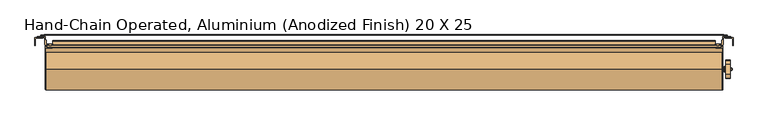
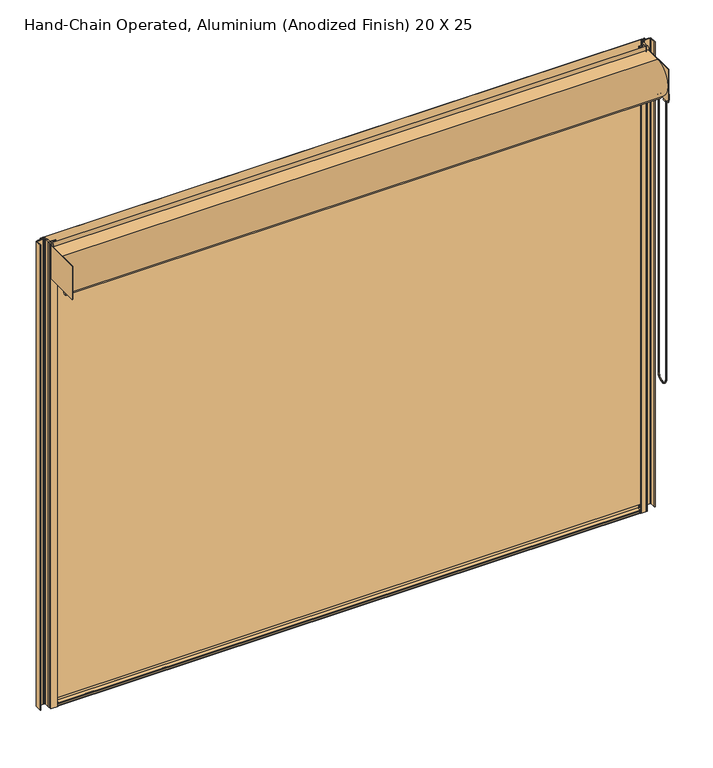
"""IFC4 building model written with IfcOpenShell, lengths in millimetres: door geometry, Hand-Chain Operated, Aluminium (Anodized Finish) 20 X 25."""

from ifc_helpers import new_model, si_unit, point, frame, frame_2d, origin, origin_with_axes, place, context, project, spatial, polyline, circle_curve, ellipse_curve, trimmed, segment, composite_curve, outline, extrude, source, transform, mapped, element, save
from ifc_brep_helpers import plane_surface, cylinder_surface, revolved_surface, advanced_brep


def hand_chain_operated_aluminium_anodized_finish_20_x_25_5186714d(model_context):
    return source(origin(), model_context, "Body", "SolidModel", [
        extrude(outline(composite_curve([segment(polyline([(-2829.4330007, 91.7956003), (-2829.4330007, 76.2), (-2832.1000004, 76.2), (-2832.1000004, 91.7956003)]), True, "CONTINUOUS"), segment(trimmed(circle_curve(frame_2d((-2828.6456007, 91.7956003)), 3.4543997), [point((-2832.1000004, 91.7956003))], [point((-2828.6456007, 95.25))], False, "CARTESIAN"), True, "CONTINUOUS"), segment(polyline([(-2828.6456007, 95.25), (-2797.4544007, 95.25)]), True, "CONTINUOUS"), segment(trimmed(circle_curve(frame_2d((-2797.4544007, 91.7956003)), 3.4543997), [point((-2797.4544007, 95.25))], [point((-2794.0000011, 91.7956003))], False, "CARTESIAN"), True, "CONTINUOUS"), segment(polyline([(-2794.0000011, 91.7956003), (-2794.0000011, 76.2), (-2796.6670007, 76.2), (-2796.6670007, 91.7956003)]), True, "CONTINUOUS"), segment(trimmed(circle_curve(frame_2d((-2797.4544007, 91.7956003)), 0.7874), [point((-2796.6670007, 91.7956003))], [point((-2797.4544007, 92.5830003))], True, "CARTESIAN"), True, "CONTINUOUS"), segment(polyline([(-2797.4544007, 92.5830003), (-2828.6456007, 92.5830003)]), True, "CONTINUOUS"), segment(trimmed(circle_curve(frame_2d((-2828.6456007, 91.7956003)), 0.7874), [point((-2828.6456007, 92.5830003))], [point((-2829.4330007, 91.7956003))], True, "CARTESIAN"), True, "CONTINUOUS")], self_intersect=False)), origin_with_axes(), (0.0, 0.0, 1.0), 6096.0),
        extrude(outline(composite_curve([segment(trimmed(circle_curve(frame_2d((-2879.725, 53.975)), 9.525), [point((-2879.725, 63.5))], [point((-2889.25, 53.975))], True, "CARTESIAN"), True, "CONTINUOUS"), segment(polyline([(-2889.25, 53.975), (-2889.25, -12.7)]), True, "CONTINUOUS"), segment(trimmed(circle_curve(frame_2d((-2895.6, -12.7)), 6.35), [point((-2889.25, -12.7))], [point((-2895.6, -19.05))], False, "CARTESIAN"), True, "CONTINUOUS"), segment(polyline([(-2895.6, -19.05), (-2895.6, 69.85), (-2806.7, 69.85)]), True, "CONTINUOUS"), segment(trimmed(circle_curve(frame_2d((-2813.05, 69.85)), 6.35), [point((-2806.7, 69.85))], [point((-2813.05, 63.5))], False, "CARTESIAN"), True, "CONTINUOUS"), segment(polyline([(-2813.05, 63.5), (-2879.725, 63.5)]), True, "CONTINUOUS")], self_intersect=False)), origin_with_axes(), (0.0, 0.0, 1.0), 6096.0),
        extrude(outline(composite_curve([segment(polyline([(-2781.3, 76.2), (-2781.3, 41.275)]), True, "CONTINUOUS"), segment(trimmed(circle_curve(frame_2d((-2781.3, 34.925)), 6.35), [point((-2781.3, 41.275))], [point((-2774.95, 34.925))], False, "CARTESIAN"), True, "CONTINUOUS"), segment(polyline([(-2774.95, 34.925), (-2774.95, 41.275)]), True, "CONTINUOUS"), segment(trimmed(circle_curve(frame_2d((-2774.95, 36.5125)), 4.7625), [point((-2774.95, 41.275))], [point((-2770.1875, 36.5125))], False, "CARTESIAN"), True, "CONTINUOUS"), segment(polyline([(-2770.1875, 36.5125), (-2770.1875, 3.175)]), True, "CONTINUOUS"), segment(trimmed(circle_curve(frame_2d((-2762.25, 3.175)), 7.9375), [point((-2770.1875, 3.175))], [point((-2762.25, -4.7625))], True, "CARTESIAN"), True, "CONTINUOUS"), segment(polyline([(-2762.25, -4.7625), (-2703.5125, -4.7625)]), True, "CONTINUOUS"), segment(trimmed(circle_curve(frame_2d((-2703.5125, -9.525)), 4.7625), [point((-2703.5125, -4.7625))], [point((-2698.75, -9.525))], False, "CARTESIAN"), True, "CONTINUOUS"), segment(polyline([(-2698.75, -9.525), (-2717.8, -9.525), (-2717.8, -19.05), (-2736.85, -19.05), (-2736.85, -9.525), (-2774.95, -9.525), (-2774.95, -31.75)]), True, "CONTINUOUS"), segment(trimmed(circle_curve(frame_2d((-2765.425, -31.75)), 9.525), [point((-2774.95, -31.75))], [point((-2765.425, -41.275))], True, "CARTESIAN"), True, "CONTINUOUS"), segment(polyline([(-2765.425, -41.275), (-2711.45, -41.275)]), True, "CONTINUOUS"), segment(trimmed(circle_curve(frame_2d((-2711.45, -47.625)), 6.35), [point((-2711.45, -41.275))], [point((-2705.1, -47.625))], False, "CARTESIAN"), True, "CONTINUOUS"), segment(polyline([(-2705.1, -47.625), (-2781.3, -47.625), (-2781.3, -12.7)]), True, "CONTINUOUS"), segment(trimmed(circle_curve(frame_2d((-2781.3, -6.35)), 6.35), [point((-2781.3, -12.7))], [point((-2787.65, -6.35))], False, "CARTESIAN"), True, "CONTINUOUS"), segment(polyline([(-2787.65, -6.35), (-2787.65, 60.325)]), True, "CONTINUOUS"), segment(trimmed(circle_curve(frame_2d((-2797.175, 60.325)), 9.525), [point((-2787.65, 60.325))], [point((-2797.175, 69.85))], True, "CARTESIAN"), True, "CONTINUOUS"), segment(polyline([(-2797.175, 69.85), (-2863.85, 69.85)]), True, "CONTINUOUS"), segment(trimmed(circle_curve(frame_2d((-2863.85, 76.2)), 6.35), [point((-2863.85, 69.85))], [point((-2870.2, 76.2))], False, "CARTESIAN"), True, "CONTINUOUS"), segment(polyline([(-2870.2, 76.2), (-2781.3, 76.2)]), True, "CONTINUOUS")], self_intersect=False)), origin_with_axes(), (0.0, 0.0, 1.0), 6096.0),
        extrude(outline(polyline([(-2781.3, -501.65), (-2781.3, -44.45), (-2774.95, -44.45), (-2774.95, -501.65), (-2781.3, -501.65)])), frame((0.0, 0.0, 5638.6082915), z_axis=(0.0, 0.0, 1.0), x_axis=(1.0, 0.0, 0.0)), (0.0, 0.0, 1.0), 431.8),
        advanced_brep(
        [(4694.3184604, -328.921883, 5748.0552302), (4694.3184604, -376.211043, 5624.8627564), (4694.3184604, -376.211043, 5570.0960217), (4694.3184604, -380.2802315, 5560.1152699), (4694.3184604, -378.573243, 5556.0582915), (4694.3184604, -338.898443, 5556.0582915), (4694.3184604, -337.1914546, 5560.1152699), (4694.3184604, -341.260643, 5570.0960217), (4694.3184604, -341.260643, 5575.1082915), (4694.3184604, -328.560643, 5587.8082915), (4694.3184604, -319.4087697, 5587.8082915), (4694.3184604, -239.3383164, 5587.8082915), (4694.3184604, -230.186443, 5587.8082915), (4694.3184604, -217.7215304, 5572.6760185), (4694.3184604, -221.5556315, 5560.1152699), (4694.3184604, -219.848643, 5556.0582915), (4694.3184604, -180.173843, 5556.0582915), (4694.3184604, -178.4668546, 5560.1152699), (4694.3184604, -182.536043, 5570.0960217), (4694.3184604, -182.536043, 5623.097402), (4694.3184604, -183.1686895, 5626.5108567), (4694.3184604, -229.8252031, 5748.0552302), (4694.3184604, -263.498543, 5667.1832915), (4694.3184604, -295.248543, 5667.1832915), (4643.5184604, -328.921883, 5748.0552302), (4643.5184604, -229.8252031, 5748.0552302), (4643.5184604, -183.1686895, 5626.5108567), (4643.5184604, -182.536043, 5623.097402), (4643.5184604, -182.536043, 5570.0960217), (4643.5184604, -178.4668546, 5560.1152699), (4643.5184604, -180.173843, 5556.0582915), (4643.5184604, -219.848643, 5556.0582915), (4643.5184604, -221.5556315, 5560.1152699), (4643.5184604, -217.7215304, 5572.6760185), (4643.5184604, -230.186443, 5587.8082915), (4643.5184604, -239.3383164, 5587.8082915), (4643.5184604, -319.4087697, 5587.8082915), (4643.5184604, -328.560643, 5587.8082915), (4643.5184604, -341.260643, 5575.1082915), (4643.5184604, -341.260643, 5570.0960217), (4643.5184604, -337.1914546, 5560.1152699), (4643.5184604, -338.898443, 5556.0582915), (4643.5184604, -378.573243, 5556.0582915), (4643.5184604, -380.2802315, 5560.1152699), (4643.5184604, -376.211043, 5570.0960217), (4643.5184604, -376.211043, 5624.8627564), (4643.5184604, -279.373543, 5686.8047915), (4643.5184604, -279.373543, 5648.7047915), (4708.6059604, -295.248543, 5667.1832915), (4708.6059604, -263.498543, 5667.1832915), (4708.6059604, -279.373543, 5658.2297915), (4708.6059604, -279.373543, 5677.2797915), (4714.875, -279.373543, 5661.4047915), (4714.875, -279.373543, 5674.1047915), (4711.7, -279.373543, 5677.2797915), (4711.7, -279.373543, 5658.2297915), (4714.875, -279.373543, 5667.7547915), (4610.1, -279.373543, 5642.3547915), (4610.1, -279.373543, 5693.1547915), (4610.1, -279.373543, 5667.7547915), (4616.45, -279.373543, 5642.3547915), (4616.45, -279.373543, 5693.1547915), (4616.45, -279.373543, 5646.3171915), (4616.45, -279.373543, 5689.1923915), (4626.5846, -279.373543, 5646.3171915), (4626.5846, -279.373543, 5689.1923915), (4626.5846, -279.373543, 5642.4754415), (4626.5846, -279.373543, 5693.0341415), (4628.1721, -279.373543, 5636.1254415), (4628.1721, -279.373543, 5699.3841415), (4630.7375, -279.373543, 5636.1254415), (4630.7375, -279.373543, 5699.3841415), (4632.325, -279.373543, 5642.4754415), (4632.325, -279.373543, 5693.0341415), (4632.325, -279.373543, 5648.7047915), (4632.325, -279.373543, 5686.8047915)],
        [
            (0, 1),
            (1, 2),
            (2, 3, circle_curve(frame((4694.3184604, -390.485843, 5570.0960217), z_axis=(-1.0, 0.0, 0.0), x_axis=(0.0, 1.0, 0.0)), 14.2748)),
            (3, 4, circle_curve(frame((4694.3184604, -378.573243, 5558.4458915), z_axis=(1.0, 0.0, 0.0), x_axis=(0.0, 1.0, 0.0)), 2.3876)),
            (4, 5),
            (5, 6, circle_curve(frame((4694.3184604, -338.898443, 5558.4458915), z_axis=(1.0, 0.0, 0.0), x_axis=(0.0, 1.0, 0.0)), 2.3876)),
            (6, 7, circle_curve(frame((4694.3184604, -326.985843, 5570.0960217), z_axis=(-1.0, 0.0, 0.0), x_axis=(0.0, 1.0, 0.0)), 14.2748)),
            (7, 8),
            (8, 9, circle_curve(frame((4694.3184604, -328.560643, 5575.1082915), z_axis=(-1.0, 0.0, 0.0), x_axis=(0.0, 1.0, 0.0)), 12.7)),
            (9, 10),
            (10, 11, circle_curve(frame((4694.3184604, -279.373543, 5667.1832915), z_axis=(1.0, 0.0, 0.0), x_axis=(0.0, 1.0, 0.0)), 88.9)),
            (11, 12),
            (12, 13, circle_curve(frame((4694.3184604, -230.186443, 5575.1082915), z_axis=(-1.0, 0.0, 0.0), x_axis=(0.0, 1.0, 0.0)), 12.7)),
            (13, 14, circle_curve(frame((4694.3184604, -231.761243, 5570.0960217), z_axis=(-1.0, 0.0, 0.0), x_axis=(0.0, 1.0, 0.0)), 14.2748)),
            (14, 15, circle_curve(frame((4694.3184604, -219.848643, 5558.4458915), z_axis=(1.0, 0.0, 0.0), x_axis=(0.0, 1.0, 0.0)), 2.3876)),
            (15, 16),
            (16, 17, circle_curve(frame((4694.3184604, -180.173843, 5558.4458915), z_axis=(1.0, 0.0, 0.0), x_axis=(0.0, 1.0, 0.0)), 2.3876)),
            (17, 18, circle_curve(frame((4694.3184604, -168.261243, 5570.0960217), z_axis=(-1.0, 0.0, 0.0), x_axis=(0.0, 1.0, 0.0)), 14.2748)),
            (18, 19),
            (19, 20, circle_curve(frame((4694.3184604, -192.061043, 5623.097402), z_axis=(1.0, 0.0, 0.0), x_axis=(0.0, 1.0, 0.0)), 9.525)),
            (20, 21),
            (21, 0, circle_curve(frame((4694.3184604, -279.373543, 5667.1832915), z_axis=(1.0, 0.0, 0.0), x_axis=(0.0, 1.0, 0.0)), 94.8436)),
            (22, 23, circle_curve(frame((4694.3184604, -279.373543, 5667.1832915), z_axis=(-1.0, 0.0, 0.0), x_axis=(0.0, 1.0, 0.0)), 15.875)),
            (23, 22, circle_curve(frame((4694.3184604, -279.373543, 5667.1832915), z_axis=(-1.0, 0.0, 0.0), x_axis=(0.0, 1.0, 0.0)), 15.875)),
            (24, 25, circle_curve(frame((4643.5184604, -279.373543, 5667.1832915), z_axis=(-1.0, 0.0, 0.0), x_axis=(0.0, 1.0, 0.0)), 94.8436)),
            (25, 26),
            (26, 27, circle_curve(frame((4643.5184604, -192.061043, 5623.097402), z_axis=(-1.0, 0.0, 0.0), x_axis=(0.0, 1.0, 0.0)), 9.525)),
            (27, 28),
            (28, 29, circle_curve(frame((4643.5184604, -168.261243, 5570.0960217), z_axis=(1.0, 0.0, 0.0), x_axis=(0.0, 1.0, 0.0)), 14.2748)),
            (29, 30, circle_curve(frame((4643.5184604, -180.173843, 5558.4458915), z_axis=(-1.0, 0.0, 0.0), x_axis=(0.0, 1.0, 0.0)), 2.3876)),
            (30, 31),
            (31, 32, circle_curve(frame((4643.5184604, -219.848643, 5558.4458915), z_axis=(-1.0, 0.0, 0.0), x_axis=(0.0, 1.0, 0.0)), 2.3876)),
            (32, 33, circle_curve(frame((4643.5184604, -231.761243, 5570.0960217), z_axis=(1.0, 0.0, 0.0), x_axis=(0.0, 1.0, 0.0)), 14.2748)),
            (33, 34, circle_curve(frame((4643.5184604, -230.186443, 5575.1082915), z_axis=(1.0, 0.0, 0.0), x_axis=(0.0, 1.0, 0.0)), 12.7)),
            (34, 35),
            (35, 36, circle_curve(frame((4643.5184604, -279.373543, 5667.1832915), z_axis=(-1.0, 0.0, 0.0), x_axis=(0.0, 1.0, 0.0)), 88.9)),
            (36, 37),
            (37, 38, circle_curve(frame((4643.5184604, -328.560643, 5575.1082915), z_axis=(1.0, 0.0, 0.0), x_axis=(0.0, 1.0, 0.0)), 12.7)),
            (38, 39),
            (39, 40, circle_curve(frame((4643.5184604, -326.985843, 5570.0960217), z_axis=(1.0, 0.0, 0.0), x_axis=(0.0, 1.0, 0.0)), 14.2748)),
            (40, 41, circle_curve(frame((4643.5184604, -338.898443, 5558.4458915), z_axis=(-1.0, 0.0, 0.0), x_axis=(0.0, 1.0, 0.0)), 2.3876)),
            (41, 42),
            (42, 43, circle_curve(frame((4643.5184604, -378.573243, 5558.4458915), z_axis=(-1.0, 0.0, 0.0), x_axis=(0.0, 1.0, 0.0)), 2.3876)),
            (43, 44, circle_curve(frame((4643.5184604, -390.485843, 5570.0960217), z_axis=(1.0, 0.0, 0.0), x_axis=(0.0, 1.0, 0.0)), 14.2748)),
            (44, 45),
            (45, 24),
            (46, 47, circle_curve(frame((4643.5184604, -279.373543, 5667.7547915), z_axis=(1.0, 0.0, 0.0), x_axis=(0.0, 0.0, 1.0)), 19.05)),
            (47, 46, circle_curve(frame((4643.5184604, -279.373543, 5667.7547915), z_axis=(1.0, 0.0, 0.0), x_axis=(0.0, 0.0, 1.0)), 19.05)),
            (0, 24),
            (45, 1),
            (44, 2),
            (43, 3),
            (42, 4),
            (41, 5),
            (40, 6),
            (39, 7),
            (38, 8),
            (37, 9),
            (36, 10),
            (35, 11),
            (34, 12),
            (33, 13),
            (32, 14),
            (31, 15),
            (30, 16),
            (29, 17),
            (28, 18),
            (27, 19),
            (26, 20),
            (25, 21),
            (48, 49, circle_curve(frame((4708.6059604, -279.373543, 5667.1832915), z_axis=(1.0, 0.0, 0.0), x_axis=(0.0, 1.0, 0.0)), 15.875)),
            (49, 48, circle_curve(frame((4708.6059604, -279.373543, 5667.1832915), z_axis=(1.0, 0.0, 0.0), x_axis=(0.0, 1.0, 0.0)), 15.875)),
            (50, 51, circle_curve(frame((4708.6059604, -279.373543, 5667.7547915), z_axis=(-1.0, 0.0, 0.0), x_axis=(0.0, 0.0, 1.0)), 9.525)),
            (51, 50, circle_curve(frame((4708.6059604, -279.373543, 5667.7547915), z_axis=(-1.0, 0.0, 0.0), x_axis=(0.0, 0.0, 1.0)), 9.525)),
            (48, 23),
            (22, 49),
            (52, 53, circle_curve(frame((4714.875, -279.373543, 5667.7547915), z_axis=(-1.0, 0.0, 0.0), x_axis=(0.0, 0.0, 1.0)), 6.35)),
            (53, 54),
            (54, 55, circle_curve(frame((4711.7, -279.373543, 5667.7547915), z_axis=(1.0, 0.0, 0.0), x_axis=(0.0, 0.0, 1.0)), 9.525)),
            (55, 52),
            (53, 52, circle_curve(frame((4714.875, -279.373543, 5667.7547915), z_axis=(-1.0, 0.0, 0.0), x_axis=(0.0, 0.0, 1.0)), 6.35)),
            (55, 54, circle_curve(frame((4711.7, -279.373543, 5667.7547915), z_axis=(1.0, 0.0, 0.0), x_axis=(0.0, 0.0, 1.0)), 9.525)),
            (52, 56),
            (56, 53),
            (54, 51),
            (50, 55),
            (57, 58, circle_curve(frame((4610.1, -279.373543, 5667.7547915), z_axis=(-1.0, 0.0, 0.0), x_axis=(0.0, 0.0, 1.0)), 25.4)),
            (58, 59),
            (59, 57),
            (58, 57, circle_curve(frame((4610.1, -279.373543, 5667.7547915), z_axis=(-1.0, 0.0, 0.0), x_axis=(0.0, 0.0, 1.0)), 25.4)),
            (57, 60),
            (60, 61, circle_curve(frame((4616.45, -279.373543, 5667.7547915), z_axis=(-1.0, 0.0, 0.0), x_axis=(0.0, 0.0, 1.0)), 25.4)),
            (61, 58),
            (61, 60, circle_curve(frame((4616.45, -279.373543, 5667.7547915), z_axis=(-1.0, 0.0, 0.0), x_axis=(0.0, 0.0, 1.0)), 25.4)),
            (60, 62),
            (62, 63, circle_curve(frame((4616.45, -279.373543, 5667.7547915), z_axis=(-1.0, 0.0, 0.0), x_axis=(0.0, 0.0, 1.0)), 21.4376)),
            (63, 61),
            (63, 62, circle_curve(frame((4616.45, -279.373543, 5667.7547915), z_axis=(-1.0, 0.0, 0.0), x_axis=(0.0, 0.0, 1.0)), 21.4376)),
            (62, 64),
            (64, 65, circle_curve(frame((4626.5846, -279.373543, 5667.7547915), z_axis=(-1.0, 0.0, 0.0), x_axis=(0.0, 0.0, 1.0)), 21.4376)),
            (65, 63),
            (65, 64, circle_curve(frame((4626.5846, -279.373543, 5667.7547915), z_axis=(-1.0, 0.0, 0.0), x_axis=(0.0, 0.0, 1.0)), 21.4376)),
            (64, 66),
            (66, 67, circle_curve(frame((4626.5846, -279.373543, 5667.7547915), z_axis=(-1.0, 0.0, 0.0), x_axis=(0.0, 0.0, 1.0)), 25.27935)),
            (67, 65),
            (67, 66, circle_curve(frame((4626.5846, -279.373543, 5667.7547915), z_axis=(-1.0, 0.0, 0.0), x_axis=(0.0, 0.0, 1.0)), 25.27935)),
            (66, 68),
            (68, 69, circle_curve(frame((4628.1721, -279.373543, 5667.7547915), z_axis=(-1.0, 0.0, 0.0), x_axis=(0.0, 0.0, 1.0)), 31.62935)),
            (69, 67),
            (69, 68, circle_curve(frame((4628.1721, -279.373543, 5667.7547915), z_axis=(-1.0, 0.0, 0.0), x_axis=(0.0, 0.0, 1.0)), 31.62935)),
            (68, 70),
            (70, 71, circle_curve(frame((4630.7375, -279.373543, 5667.7547915), z_axis=(-1.0, 0.0, 0.0), x_axis=(0.0, 0.0, 1.0)), 31.62935)),
            (71, 69),
            (71, 70, circle_curve(frame((4630.7375, -279.373543, 5667.7547915), z_axis=(-1.0, 0.0, 0.0), x_axis=(0.0, 0.0, 1.0)), 31.62935)),
            (70, 72),
            (72, 73, circle_curve(frame((4632.325, -279.373543, 5667.7547915), z_axis=(-1.0, 0.0, 0.0), x_axis=(0.0, 0.0, 1.0)), 25.27935)),
            (73, 71),
            (73, 72, circle_curve(frame((4632.325, -279.373543, 5667.7547915), z_axis=(-1.0, 0.0, 0.0), x_axis=(0.0, 0.0, 1.0)), 25.27935)),
            (72, 74),
            (74, 75, circle_curve(frame((4632.325, -279.373543, 5667.7547915), z_axis=(-1.0, 0.0, 0.0), x_axis=(0.0, 0.0, 1.0)), 19.05)),
            (75, 73),
            (75, 74, circle_curve(frame((4632.325, -279.373543, 5667.7547915), z_axis=(-1.0, 0.0, 0.0), x_axis=(0.0, 0.0, 1.0)), 19.05)),
            (74, 47),
            (46, 75),
        ],
        [
            plane_surface(frame((4694.3184604, -329.0909984, 5747.6146694), z_axis=(1.0, 0.0, 0.0), x_axis=(0.0, -0.3583679495453003, -0.9335804264972017))),
            plane_surface(frame((4643.5184604, -329.0909984, 5747.6146694), z_axis=(-1.0, 0.0, 0.0), x_axis=(0.0, 0.3583679495453003, 0.9335804264972017))),
            plane_surface(frame((4694.3184604, -328.921883, 5748.0552302), z_axis=(0.0, -0.9335804264972017, 0.3583679495453003), x_axis=(-1.0, 0.0, 0.0))),
            plane_surface(frame((4694.3184604, -376.211043, 5624.8627564), z_axis=(0.0, -1.0, 0.0), x_axis=(-1.0, 0.0, 0.0))),
            revolved_surface(polyline([(4643.5184604, -376.21104299999996, 5570.0960217), (4694.3184604, -376.21104299999996, 5570.0960217)]), (4643.5184604, -390.485843, 5570.0960217), (-1.0, 0.0, 0.0)),
            cylinder_surface(frame((4643.5184604, -378.573243, 5558.4458915), z_axis=(1.0, 0.0, 0.0), x_axis=(0.0, 1.0, 0.0)), 2.3876),
            plane_surface(frame((4694.3184604, -378.573243, 5556.0582915), z_axis=(0.0, 0.0, -1.0), x_axis=(-1.0, 0.0, 0.0))),
            cylinder_surface(frame((4643.5184604, -338.898443, 5558.4458915), z_axis=(1.0, 0.0, 0.0), x_axis=(0.0, 1.0, 0.0)), 2.3876),
            revolved_surface(polyline([(4643.5184604, -312.71104299999996, 5570.0960217), (4694.3184604, -312.71104299999996, 5570.0960217)]), (4643.5184604, -326.985843, 5570.0960217), (-1.0, 0.0, 0.0)),
            plane_surface(frame((4694.3184604, -341.260643, 5570.0960217), z_axis=(0.0, 1.0, 0.0), x_axis=(-1.0, 0.0, 0.0))),
            revolved_surface(polyline([(4643.5184604, -315.86064300000004, 5575.1082915), (4694.3184604, -315.86064300000004, 5575.1082915)]), (4643.5184604, -328.560643, 5575.1082915), (-1.0, 0.0, 0.0)),
            plane_surface(frame((4694.3184604, -328.560643, 5587.8082915), z_axis=(0.0, 0.0, -1.0), x_axis=(-1.0, 0.0, 0.0))),
            cylinder_surface(frame((4643.5184604, -279.373543, 5667.1832915), z_axis=(1.0, 0.0, 0.0), x_axis=(0.0, 1.0, 0.0)), 88.9),
            plane_surface(frame((4694.3184604, -239.3383164, 5587.8082915), z_axis=(0.0, 0.0, -1.0), x_axis=(-1.0, 0.0, 0.0))),
            revolved_surface(polyline([(4643.5184604, -217.486443, 5575.1082915), (4694.3184604, -217.486443, 5575.1082915)]), (4643.5184604, -230.186443, 5575.1082915), (-1.0, 0.0, 0.0)),
            revolved_surface(polyline([(4643.5184604, -217.486443, 5570.0960217), (4694.3184604, -217.486443, 5570.0960217)]), (4643.5184604, -231.761243, 5570.0960217), (-1.0, 0.0, 0.0)),
            cylinder_surface(frame((4643.5184604, -219.848643, 5558.4458915), z_axis=(1.0, 0.0, 0.0), x_axis=(0.0, 1.0, 0.0)), 2.3876),
            plane_surface(frame((4694.3184604, -219.848643, 5556.0582915), z_axis=(0.0, 0.0, -1.0), x_axis=(-1.0, 0.0, 0.0))),
            cylinder_surface(frame((4643.5184604, -180.173843, 5558.4458915), z_axis=(1.0, 0.0, 0.0), x_axis=(0.0, 1.0, 0.0)), 2.3876),
            revolved_surface(polyline([(4643.5184604, -153.986443, 5570.0960217), (4694.3184604, -153.986443, 5570.0960217)]), (4643.5184604, -168.261243, 5570.0960217), (-1.0, 0.0, 0.0)),
            plane_surface(frame((4694.3184604, -182.536043, 5570.0960217), z_axis=(0.0, 1.0, 0.0), x_axis=(-1.0, 0.0, 0.0))),
            cylinder_surface(frame((4643.5184604, -192.061043, 5623.097402), z_axis=(1.0, 0.0, 0.0), x_axis=(0.0, 1.0, 0.0)), 9.525),
            plane_surface(frame((4694.3184604, -183.1686895, 5626.5108567), z_axis=(0.0, 0.9335804264972019, 0.35836794954530005), x_axis=(-1.0, 0.0, 0.0))),
            cylinder_surface(frame((4643.5184604, -279.373543, 5667.1832915), z_axis=(1.0, 0.0, 0.0), x_axis=(0.0, 1.0, 0.0)), 94.8436),
            plane_surface(frame((4708.6059604, -263.498543, 5667.1832915), z_axis=(1.0, 0.0, 0.0), x_axis=(0.0, 0.0, 1.0))),
            cylinder_surface(frame((4678.4180604, -279.373543, 5667.1832915), z_axis=(1.0, 0.0, 0.0), x_axis=(0.0, 1.0, 0.0)), 15.875),
            revolved_surface(polyline([(4711.7, -279.373543, 5677.2797915), (4714.875, -279.373543, 5674.1047915)]), (4643.5184604, -279.373543, 5667.7547915), (1.0, 0.0, 0.0)),
            plane_surface(frame((4714.875, -279.373543, 5667.7547915), z_axis=(1.0, 0.0, 0.0), x_axis=(0.0, 0.0, 1.0))),
            cylinder_surface(frame((4643.5184604, -279.373543, 5667.7547915), z_axis=(1.0, 0.0, 0.0), x_axis=(0.0, 0.0, 1.0)), 9.525),
            plane_surface(frame((4610.1, -279.373543, 5667.7547915), z_axis=(-1.0, 0.0, 0.0), x_axis=(0.0, 0.0, 1.0))),
            cylinder_surface(frame((4643.5184604, -279.373543, 5667.7547915), z_axis=(1.0, 0.0, 0.0), x_axis=(0.0, 0.0, 1.0)), 25.4),
            plane_surface(frame((4616.45, -279.373543, 5667.7547915), z_axis=(1.0, 0.0, 0.0), x_axis=(0.0, 0.0, 1.0))),
            cylinder_surface(frame((4643.5184604, -279.373543, 5667.7547915), z_axis=(1.0, 0.0, 0.0), x_axis=(0.0, 0.0, 1.0)), 21.4376),
            plane_surface(frame((4626.5846, -279.373543, 5667.7547915), z_axis=(-1.0, 0.0, 0.0), x_axis=(0.0, 0.0, 1.0))),
            revolved_surface(polyline([(4626.5846, -279.373543, 5693.0341415), (4628.1721, -279.373543, 5699.3841415)]), (4643.5184604, -279.373543, 5667.7547915), (1.0, 0.0, 0.0)),
            cylinder_surface(frame((4643.5184604, -279.373543, 5667.7547915), z_axis=(1.0, 0.0, 0.0), x_axis=(0.0, 0.0, 1.0)), 31.62935),
            revolved_surface(polyline([(4630.7375, -279.373543, 5699.3841415), (4632.325, -279.373543, 5693.0341415)]), (4643.5184604, -279.373543, 5667.7547915), (1.0, 0.0, 0.0)),
            plane_surface(frame((4632.325, -279.373543, 5667.7547915), z_axis=(1.0, 0.0, 0.0), x_axis=(0.0, 0.0, 1.0))),
            cylinder_surface(frame((4643.5184604, -279.373543, 5667.7547915), z_axis=(1.0, 0.0, 0.0), x_axis=(0.0, 0.0, 1.0)), 19.05),
        ],
        [
            (0, [[1, 2, 3, 4, 5, 6, 7, 8, 9, 10, 11, 12, 13, 14, 15, 16, 17, 18, 19, 20, 21, 22], [23, 24]]),
            (1, [[25, 26, 27, 28, 29, 30, 31, 32, 33, 34, 35, 36, 37, 38, 39, 40, 41, 42, 43, 44, 45, 46], [47, 48]]),
            (2, [[-1, 49, -46, 50]]),
            (3, [[-2, -50, -45, 51]]),
            (4, [[-3, -51, -44, 52]]),
            (5, [[-4, -52, -43, 53]]),
            (6, [[-5, -53, -42, 54]]),
            (7, [[-6, -54, -41, 55]]),
            (8, [[-7, -55, -40, 56]]),
            (9, [[-8, -56, -39, 57]]),
            (10, [[-9, -57, -38, 58]]),
            (11, [[-10, -58, -37, 59]]),
            (12, [[-11, -59, -36, 60]]),
            (13, [[-12, -60, -35, 61]]),
            (14, [[-13, -61, -34, 62]]),
            (15, [[-14, -62, -33, 63]]),
            (16, [[-15, -63, -32, 64]]),
            (17, [[-16, -64, -31, 65]]),
            (18, [[-17, -65, -30, 66]]),
            (19, [[-18, -66, -29, 67]]),
            (20, [[-19, -67, -28, 68]]),
            (21, [[-20, -68, -27, 69]]),
            (22, [[-21, -69, -26, 70]]),
            (23, [[-22, -70, -25, -49]]),
            (24, [[71, 72], [73, 74]]),
            (25, [[-71, 75, -23, 76]]),
            (25, [[-72, -76, -24, -75]]),
            (26, [[77, 78, 79, 80]]),
            (26, [[-78, 81, -80, 82]]),
            (27, [[-77, 83, 84]]),
            (27, [[-81, -84, -83]]),
            (28, [[-79, 85, -73, 86]]),
            (28, [[-82, -86, -74, -85]]),
            (29, [[87, 88, 89]]),
            (29, [[-88, 90, -89]]),
            (30, [[-87, 91, 92, 93]]),
            (30, [[-90, -93, 94, -91]]),
            (31, [[-92, 95, 96, 97]]),
            (31, [[-94, -97, 98, -95]]),
            (32, [[-96, 99, 100, 101]]),
            (32, [[-98, -101, 102, -99]]),
            (33, [[-100, 103, 104, 105]]),
            (33, [[-102, -105, 106, -103]]),
            (34, [[-104, 107, 108, 109]]),
            (34, [[-106, -109, 110, -107]]),
            (35, [[-108, 111, 112, 113]]),
            (35, [[-110, -113, 114, -111]]),
            (36, [[-112, 115, 116, 117]]),
            (36, [[-114, -117, 118, -115]]),
            (37, [[-116, 119, 120, 121]]),
            (37, [[-118, -121, 122, -119]]),
            (38, [[-120, 123, -47, 124]]),
            (38, [[-122, -124, -48, -123]]),
        ],
    ),
        extrude(outline(polyline([(4610.1, -50.773543), (4610.1, -507.973543), (4603.75, -507.973543), (4603.75, -50.773543), (4610.1, -50.773543)])), frame((0.0, 0.0, 5638.6082915), z_axis=(0.0, 0.0, 1.0), x_axis=(1.0, 0.0, 0.0)), (0.0, 0.0, 1.0), 431.8),
        advanced_brep(
        [(4671.7806629, -358.748543, 5638.6082915), (4659.0806629, -358.748543, 5638.6082915), (4671.7806629, -358.748543, 1898.4843434), (4659.0806629, -358.748543, 1898.4843434), (4659.0806629, -199.998543, 1898.4843434), (4671.7806629, -199.998543, 1898.4843434), (4671.7806629, -199.998543, 5638.6082915), (4659.0806629, -199.998543, 5638.6082915)],
        [
            (0, 1, circle_curve(frame((4665.4306629, -358.748543, 5638.6082915), z_axis=(0.0, 0.0, 1.0), x_axis=(-1.0, 0.0, 0.0)), 6.35)),
            (1, 0, circle_curve(frame((4665.4306629, -358.748543, 5638.6082915), z_axis=(0.0, 0.0, 1.0), x_axis=(-1.0, 0.0, 0.0)), 6.35)),
            (0, 2),
            (2, 3, circle_curve(frame((4665.4306629, -358.748543, 1898.4843434), z_axis=(0.0, 0.0, 1.0), x_axis=(-1.0, 0.0, 0.0)), 6.35)),
            (3, 1),
            (3, 2, circle_curve(frame((4665.4306629, -358.748543, 1898.4843434), z_axis=(0.0, 0.0, 1.0), x_axis=(-1.0, 0.0, 0.0)), 6.35)),
            (4, 3, circle_curve(frame((4659.0806629, -279.373543, 1898.4843434), z_axis=(-1.0, 0.0, 0.0), x_axis=(0.0, -1.0, 0.0)), 79.375)),
            (2, 5, circle_curve(frame((4671.7806629, -279.373543, 1898.4843434), z_axis=(1.0, 0.0, 0.0), x_axis=(0.0, -1.0, 0.0)), 79.375)),
            (5, 4, circle_curve(frame((4665.4306629, -199.998543, 1898.4843434), z_axis=(0.0, 0.0, -1.0), x_axis=(-1.0, 0.0, 0.0)), 6.35)),
            (4, 5, circle_curve(frame((4665.4306629, -199.998543, 1898.4843434), z_axis=(0.0, 0.0, -1.0), x_axis=(-1.0, 0.0, 0.0)), 6.35)),
            (6, 7, circle_curve(frame((4665.4306629, -199.998543, 5638.6082915), z_axis=(0.0, 0.0, 1.0), x_axis=(-1.0, 0.0, 0.0)), 6.35)),
            (7, 6, circle_curve(frame((4665.4306629, -199.998543, 5638.6082915), z_axis=(0.0, 0.0, 1.0), x_axis=(-1.0, 0.0, 0.0)), 6.35)),
            (5, 6),
            (7, 4),
        ],
        [
            plane_surface(frame((3974.9673817, -358.748543, 5638.6082915), z_axis=(0.0, 0.0, 1.0), x_axis=(-1.0, 0.0, 0.0))),
            cylinder_surface(frame((4665.4306629, -358.748543, 5638.6082915), z_axis=(0.0, 0.0, 1.0), x_axis=(-1.0, 0.0, 0.0)), 6.35),
            revolved_surface(trimmed(ellipse_curve(frame((4665.4306629, -358.748543, 1898.4843434), z_axis=(0.0, 0.0, 1.0), x_axis=(-1.0, 0.0, 0.0)), 6.35, 6.35), [point((4671.7806629, -358.748543, 1898.4843434))], [point((4659.0806629, -358.748543, 1898.4843434))], True, "CARTESIAN"), (3974.9673817, -279.373543, 1898.4843434), (1.0, 0.0, 0.0)),
            revolved_surface(trimmed(ellipse_curve(frame((4665.4306629, -358.748543, 1898.4843434), z_axis=(0.0, 0.0, 1.0), x_axis=(-1.0, 0.0, 0.0)), 6.35, 6.35), [point((4659.0806629, -358.748543, 1898.4843434))], [point((4671.7806629, -358.748543, 1898.4843434))], True, "CARTESIAN"), (3974.9673817, -279.373543, 1898.4843434), (1.0, 0.0, 0.0)),
            plane_surface(frame((3974.9673817, -199.998543, 5638.6082915), z_axis=(0.0, 0.0, 1.0), x_axis=(-1.0, 0.0, 0.0))),
            cylinder_surface(frame((4665.4306629, -199.998543, 1898.4843434), z_axis=(0.0, 0.0, -1.0), x_axis=(-1.0, 0.0, 0.0)), 6.35),
        ],
        [
            (0, [[1, 2]]),
            (1, [[-1, 3, 4, 5]]),
            (1, [[-2, -5, 6, -3]]),
            (2, [[7, -4, 8, 9]]),
            (3, [[-8, -6, -7, 10]]),
            (4, [[11, 12]]),
            (5, [[-9, 13, -12, 14]]),
            (5, [[-10, -14, -11, -13]]),
        ],
    ),
        extrude(outline(composite_curve([segment(trimmed(circle_curve(frame_2d((4657.4456007, 91.7956003)), 0.7874), [point((4658.2330007, 91.7956003))], [point((4657.4456007, 92.5830003))], True, "CARTESIAN"), True, "CONTINUOUS"), segment(polyline([(4657.4456007, 92.5830003), (4626.2544007, 92.5830003)]), True, "CONTINUOUS"), segment(trimmed(circle_curve(frame_2d((4626.2544007, 91.7956003)), 0.7874), [point((4626.2544007, 92.5830003))], [point((4625.4670007, 91.7956003))], True, "CARTESIAN"), True, "CONTINUOUS"), segment(polyline([(4625.4670007, 91.7956003), (4625.4670007, 76.2), (4622.8000011, 76.2), (4622.8000011, 91.7956003)]), True, "CONTINUOUS"), segment(trimmed(circle_curve(frame_2d((4626.2544007, 91.7956003)), 3.4543997), [point((4622.8000011, 91.7956003))], [point((4626.2544007, 95.25))], False, "CARTESIAN"), True, "CONTINUOUS"), segment(polyline([(4626.2544007, 95.25), (4657.4456007, 95.25)]), True, "CONTINUOUS"), segment(trimmed(circle_curve(frame_2d((4657.4456007, 91.7956003)), 3.4543997), [point((4657.4456007, 95.25))], [point((4660.9000004, 91.7956003))], False, "CARTESIAN"), True, "CONTINUOUS"), segment(polyline([(4660.9000004, 91.7956003), (4660.9000004, 76.2), (4658.2330007, 76.2), (4658.2330007, 91.7956003)]), True, "CONTINUOUS")], self_intersect=False)), origin_with_axes(), (0.0, 0.0, 1.0), 6096.0),
        extrude(outline(composite_curve([segment(polyline([(4708.525, 63.5), (4641.85, 63.5)]), True, "CONTINUOUS"), segment(trimmed(circle_curve(frame_2d((4641.85, 69.85)), 6.35), [point((4641.85, 63.5))], [point((4635.5, 69.85))], False, "CARTESIAN"), True, "CONTINUOUS"), segment(polyline([(4635.5, 69.85), (4724.4, 69.85), (4724.4, -19.05)]), True, "CONTINUOUS"), segment(trimmed(circle_curve(frame_2d((4724.4, -12.7)), 6.35), [point((4724.4, -19.05))], [point((4718.05, -12.7))], False, "CARTESIAN"), True, "CONTINUOUS"), segment(polyline([(4718.05, -12.7), (4718.05, 53.975)]), True, "CONTINUOUS"), segment(trimmed(circle_curve(frame_2d((4708.525, 53.975)), 9.525), [point((4718.05, 53.975))], [point((4708.525, 63.5))], True, "CARTESIAN"), True, "CONTINUOUS")], self_intersect=False)), origin_with_axes(), (0.0, 0.0, 1.0), 6096.0),
        extrude(outline(composite_curve([segment(polyline([(4610.1, 76.2), (4699.0, 76.2)]), True, "CONTINUOUS"), segment(trimmed(circle_curve(frame_2d((4692.65, 76.2)), 6.35), [point((4699.0, 76.2))], [point((4692.65, 69.85))], False, "CARTESIAN"), True, "CONTINUOUS"), segment(polyline([(4692.65, 69.85), (4625.975, 69.85)]), True, "CONTINUOUS"), segment(trimmed(circle_curve(frame_2d((4625.975, 60.325)), 9.525), [point((4625.975, 69.85))], [point((4616.45, 60.325))], True, "CARTESIAN"), True, "CONTINUOUS"), segment(polyline([(4616.45, 60.325), (4616.45, -6.35)]), True, "CONTINUOUS"), segment(trimmed(circle_curve(frame_2d((4610.1, -6.35)), 6.35), [point((4616.45, -6.35))], [point((4610.1, -12.7))], False, "CARTESIAN"), True, "CONTINUOUS"), segment(polyline([(4610.1, -12.7), (4610.1, -47.625), (4533.9, -47.625)]), True, "CONTINUOUS"), segment(trimmed(circle_curve(frame_2d((4540.25, -47.625)), 6.35), [point((4533.9, -47.625))], [point((4540.25, -41.275))], False, "CARTESIAN"), True, "CONTINUOUS"), segment(polyline([(4540.25, -41.275), (4594.225, -41.275)]), True, "CONTINUOUS"), segment(trimmed(circle_curve(frame_2d((4594.225, -31.75)), 9.525), [point((4594.225, -41.275))], [point((4603.75, -31.75))], True, "CARTESIAN"), True, "CONTINUOUS"), segment(polyline([(4603.75, -31.75), (4603.75, -9.525), (4565.65, -9.525), (4565.65, -19.05), (4546.6, -19.05), (4546.6, -9.525), (4527.55, -9.525)]), True, "CONTINUOUS"), segment(trimmed(circle_curve(frame_2d((4532.3125, -9.525)), 4.7625), [point((4527.55, -9.525))], [point((4532.3125, -4.7625))], False, "CARTESIAN"), True, "CONTINUOUS"), segment(polyline([(4532.3125, -4.7625), (4591.05, -4.7625)]), True, "CONTINUOUS"), segment(trimmed(circle_curve(frame_2d((4591.05, 3.175)), 7.9375), [point((4591.05, -4.7625))], [point((4598.9875, 3.175))], True, "CARTESIAN"), True, "CONTINUOUS"), segment(polyline([(4598.9875, 3.175), (4598.9875, 36.5125)]), True, "CONTINUOUS"), segment(trimmed(circle_curve(frame_2d((4603.75, 36.5125)), 4.7625), [point((4598.9875, 36.5125))], [point((4603.75, 41.275))], False, "CARTESIAN"), True, "CONTINUOUS"), segment(polyline([(4603.75, 41.275), (4603.75, 34.925)]), True, "CONTINUOUS"), segment(trimmed(circle_curve(frame_2d((4610.1, 34.925)), 6.35), [point((4603.75, 34.925))], [point((4610.1, 41.275))], False, "CARTESIAN"), True, "CONTINUOUS"), segment(polyline([(4610.1, 41.275), (4610.1, 76.2)]), True, "CONTINUOUS")], self_intersect=False)), origin_with_axes(), (0.0, 0.0, 1.0), 6096.0),
        extrude(outline(composite_curve([segment(polyline([(-47.625, 5638.6082915), (-336.7082691, 5638.6082915)]), True, "CONTINUOUS"), segment(trimmed(circle_curve(frame_2d((-337.0535383, 5616.6434247)), 21.9675803), [point((-336.7082691, 5638.6082915))], [point((-345.3811242, 5636.9713832))], False, "CARTESIAN"), True, "CONTINUOUS"), segment(trimmed(circle_curve(frame_2d((-283.7169857, 5849.3034251)), 221.1048664), [point((-345.3811242, 5636.9713832))], [point((-283.7169857, 6070.4082915))], False, "CARTESIAN"), True, "CONTINUOUS"), segment(polyline([(-283.7169857, 6070.4082915), (-75.5106569, 6070.4082915)]), True, "CONTINUOUS"), segment(trimmed(circle_curve(frame_2d((-70.250482, 6092.4138134)), 22.625482), [point((-75.5106569, 6070.4082915))], [point((-64.4644317, 6070.5406779))], False, "CARTESIAN"), True, "CONTINUOUS"), segment(polyline([(-64.4644317, 6070.5406779), (-47.625, 6070.5406779), (-47.625, 5638.6082915)]), True, "CONTINUOUS")], self_intersect=False)), frame((-2774.95, 0.0, 0.0), z_axis=(1.0, 0.0, 0.0), x_axis=(0.0, 1.0, 0.0)), (0.0, 0.0, 1.0), 7378.7),
        extrude(outline(polyline([(-2759.075, -34.925), (-2759.075, -19.05), (4587.875, -19.05), (4587.875, -34.925), (-2759.075, -34.925)])), frame((0.0, 0.0, 111.75365), z_axis=(0.0, 0.0, 1.0), x_axis=(1.0, 0.0, 0.0)), (0.0, 0.0, 1.0), 5526.8546415),
        extrude(outline(polyline([(4622.8000011, 95.25), (-2794.0000011, 95.25), (-2794.0000011, 98.425), (4622.8000011, 98.425), (4622.8000011, 95.25)])), frame((0.0, 0.0, 5638.6082915), z_axis=(0.0, 0.0, 1.0), x_axis=(1.0, 0.0, 0.0)), (0.0, 0.0, 1.0), 457.3917085),
        extrude(outline(composite_curve([segment(polyline([(-13.833814, 110.16615), (-13.833814, 65.71615)]), True, "CONTINUOUS"), segment(trimmed(circle_curve(frame_2d((-12.246314, 65.71615)), 1.5875), [point((-13.833814, 65.71615))], [point((-12.246314, 64.12865))], True, "CARTESIAN"), True, "CONTINUOUS"), segment(polyline([(-12.246314, 64.12865), (32.203686, 64.12865)]), True, "CONTINUOUS"), segment(trimmed(circle_curve(frame_2d((32.203686, 62.54115)), 1.5875), [point((32.203686, 64.12865))], [point((33.791186, 62.54115))], False, "CARTESIAN"), True, "CONTINUOUS"), segment(polyline([(33.791186, 62.54115), (33.791186, 60.95365), (-17.008814, 60.95365), (-17.008814, 59.40425), (-13.402014, 59.40425)]), True, "CONTINUOUS"), segment(trimmed(circle_curve(frame_2d((-13.402014, 57.10555)), 2.2987), [point((-13.402014, 59.40425))], [point((-13.402014, 54.80685))], False, "CARTESIAN"), True, "CONTINUOUS"), segment(polyline([(-13.402014, 54.80685), (-15.802314, 54.80685), (-15.802314, 53.18125), (29.504936, 53.18125), (29.504936, 50.00625), (10.454936, 50.00625)]), True, "CONTINUOUS"), segment(trimmed(circle_curve(frame_2d((10.454936, 46.83125)), 3.175), [point((10.454936, 50.00625))], [point((7.279936, 46.83125))], True, "CARTESIAN"), True, "CONTINUOUS"), segment(polyline([(7.279936, 46.83125), (7.279936, 6.35)]), True, "CONTINUOUS"), segment(trimmed(circle_curve(frame_2d((0.929936, 6.35)), 6.35), [point((7.279936, 6.35))], [point((0.929936, 0.0))], False, "CARTESIAN"), True, "CONTINUOUS"), segment(polyline([(0.929936, 0.0), (-37.170064, 0.0)]), True, "CONTINUOUS"), segment(trimmed(circle_curve(frame_2d((-37.170064, 6.35)), 6.35), [point((-37.170064, 0.0))], [point((-43.520064, 6.35))], False, "CARTESIAN"), True, "CONTINUOUS"), segment(polyline([(-43.520064, 6.35), (-43.520064, 46.83125)]), True, "CONTINUOUS"), segment(trimmed(circle_curve(frame_2d((-46.695064, 46.83125)), 3.175), [point((-43.520064, 46.83125))], [point((-46.695064, 50.00625))], True, "CARTESIAN"), True, "CONTINUOUS"), segment(polyline([(-46.695064, 50.00625), (-65.745064, 50.00625), (-65.745064, 53.18125), (-18.977314, 53.18125), (-18.977314, 54.80685), (-21.377614, 54.80685)]), True, "CONTINUOUS"), segment(trimmed(circle_curve(frame_2d((-21.377614, 57.10555)), 2.2987), [point((-21.377614, 54.80685))], [point((-21.377614, 59.40425))], False, "CARTESIAN"), True, "CONTINUOUS"), segment(polyline([(-21.377614, 59.40425), (-17.770814, 59.40425), (-17.770814, 60.95365), (-68.570814, 60.95365), (-68.570814, 62.54115)]), True, "CONTINUOUS"), segment(trimmed(circle_curve(frame_2d((-66.983314, 62.54115)), 1.5875), [point((-68.570814, 62.54115))], [point((-66.983314, 64.12865))], False, "CARTESIAN"), True, "CONTINUOUS"), segment(polyline([(-66.983314, 64.12865), (-22.533314, 64.12865)]), True, "CONTINUOUS"), segment(trimmed(circle_curve(frame_2d((-22.533314, 65.71615)), 1.5875), [point((-22.533314, 64.12865))], [point((-20.945814, 65.71615))], True, "CARTESIAN"), True, "CONTINUOUS"), segment(polyline([(-20.945814, 65.71615), (-20.945814, 110.16615)]), True, "CONTINUOUS"), segment(trimmed(circle_curve(frame_2d((-19.358314, 110.16615)), 1.5875), [point((-20.945814, 110.16615))], [point((-19.358314, 111.75365))], False, "CARTESIAN"), True, "CONTINUOUS"), segment(polyline([(-19.358314, 111.75365), (-15.421314, 111.75365)]), True, "CONTINUOUS"), segment(trimmed(circle_curve(frame_2d((-15.421314, 110.16615)), 1.5875), [point((-15.421314, 111.75365))], [point((-13.833814, 110.16615))], False, "CARTESIAN"), True, "CONTINUOUS")], self_intersect=False)), frame((-2698.75, 0.0, 0.0), z_axis=(1.0, 0.0, 0.0), x_axis=(0.0, 1.0, 0.0)), (0.0, 0.0, 1.0), 7226.3),
    ])


if __name__ == "__main__":
    model = new_model("IFC4")
    model_context = context("Model", 3, world=origin())
    ifc_project = project(units=[si_unit("LENGTHUNIT", "METRE", prefix="MILLI")], contexts=[model_context])
    site = spatial("IfcSite", under=ifc_project)
    building = spatial("IfcBuilding", under=site)
    placement = place(None, origin())
    hand_chain_operated_aluminium_anodized_finish_20_x_25_shape = hand_chain_operated_aluminium_anodized_finish_20_x_25_5186714d(model_context)
    element("IfcDoor", 1, ObjectType="Hand-Chain Operated, Aluminium (Anodized Finish) 20 X 25", at=placement, inside=building, context=model_context, shape_type="MappedRepresentation", body=[
        mapped(hand_chain_operated_aluminium_anodized_finish_20_x_25_shape, transform((0.0, 0.0, 0.0), x_axis=(1.0, 0.0, 0.0), y_axis=(0.0, 1.0, 0.0), z_axis=(0.0, 0.0, 1.0))),
    ])
    save(model, "model.ifc")
